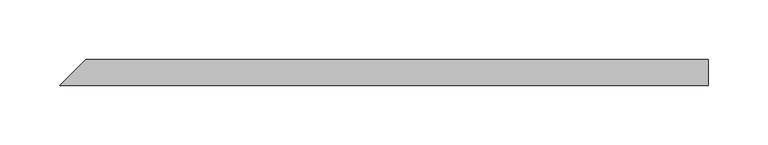
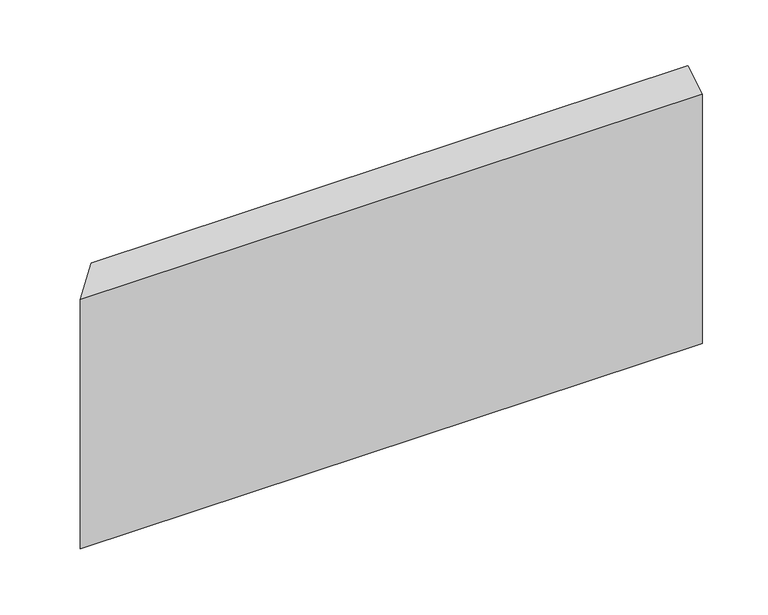
"""IFC4 building model written with IfcOpenShell, lengths in millimetres: beam geometry."""

from ifc_helpers import new_model, si_unit, origin, place, context, project, spatial, faceted_brep, source, transform, mapped, element, save


def beam_ae52bb44(model_context):
    return source(origin(), model_context, "Body", "Brep", [
        faceted_brep([(266.6254921, -11.0, 109.1192009), (-277.6254921, -11.0, 109.1192009), (-277.6254921, -11.0, -121.8209068), (266.6254921, -11.0, -121.8209068), (266.6254921, 11.0, 121.8209068), (266.6254921, 11.0, -109.1192009), (-255.6254921, 11.0, -109.1192009), (-255.6254921, 11.0, 121.8209068)], [[[0, 1, 2, 3]], [[4, 5, 6, 7]], [[5, 4, 0, 3]], [[6, 5, 3, 2]], [[7, 6, 2, 1]], [[4, 7, 1, 0]]]),
    ])


if __name__ == "__main__":
    model = new_model("IFC4")
    model_context = context("Model", 3, world=origin())
    ifc_project = project(units=[si_unit("LENGTHUNIT", "METRE", prefix="MILLI")], contexts=[model_context])
    site = spatial("IfcSite", under=ifc_project)
    building = spatial("IfcBuilding", under=site)
    placement = place(None, origin())
    beam_shape = beam_ae52bb44(model_context)
    element("IfcBeam", 1, at=placement, inside=building, context=model_context, shape_type="MappedRepresentation", body=[
        mapped(beam_shape, transform((0.0, 0.0, 0.0), x_axis=(1.0, 0.0, 0.0), y_axis=(0.0, 1.0, 0.0), z_axis=(0.0, 0.0, 1.0))),
    ])
    save(model, "model.ifc")
